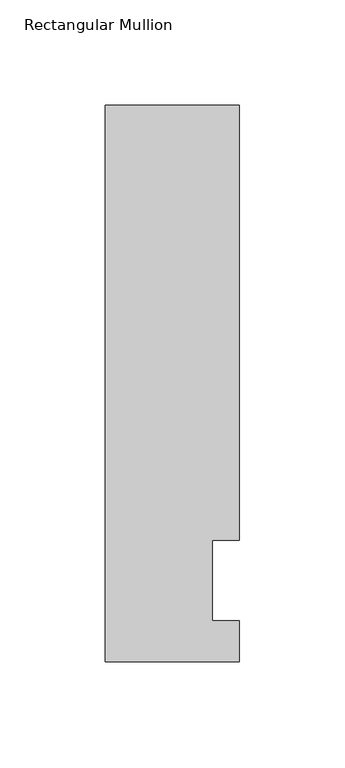
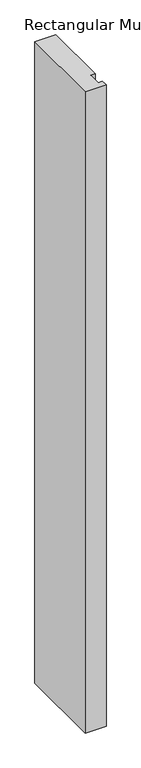
"""IFC4 building model written with IfcOpenShell, lengths in millimetres: member geometry, Rectangular Mullion."""

import ifcopenshell
import ifcopenshell.guid

model = None  # the IFC model being written
_history = None  # IfcOwnerHistory: only IFC2X3 demands one
_inside = {}  # id of a spatial element -> (the spatial element, [elements in it])
_under = {}  # id of a project, library or spatial element -> (it, [spatial elements below it])
_declared = {}  # id of a project -> (the project, [libraries it declares])
_typed = {}  # id of a type object -> (the type object, [elements of that type])
_made_of = {}  # id of a material, layer set ... -> (it, [elements and type objects made of it])


def new_model(schema):
    """Start an empty IFC model of exactly this schema.

    Asked for "IFC4X3", IfcOpenShell would pick the latest addendum, in which some entities
    have other attributes; the version numbers below select the first issue.
    IFC2X3 requires an IfcOwnerHistory on every rooted entity: one is made here for all.
    """
    global model, _history
    if schema == "IFC4X3":
        model = ifcopenshell.file(schema_version=(4, 3, 0, 0))
    else:
        model = ifcopenshell.file(schema=schema)
    _inside.clear()
    _under.clear()
    _declared.clear()
    _typed.clear()
    _made_of.clear()
    _history = None
    if model.schema == "IFC2X3":
        org = make("IfcOrganization", Name="unknown")
        user = make(
            "IfcPersonAndOrganization",
            ThePerson=make("IfcPerson", FamilyName="unknown"),
            TheOrganization=org,
        )
        app = make(
            "IfcApplication",
            ApplicationDeveloper=org,
            Version="unknown",
            ApplicationFullName="unknown",
            ApplicationIdentifier="unknown",
        )
        _history = make(
            "IfcOwnerHistory",
            OwningUser=user,
            OwningApplication=app,
            ChangeAction="ADDED",
            CreationDate=0,
        )
    return model


def make(cls, **values):
    """One entity of the class cls with the attributes given. An attribute that is None is left unset."""
    return model.create_entity(
        cls, **{name: value for name, value in values.items() if value is not None}
    )


def rooted(cls, **values):
    """An entity with a GlobalId (a new one), such as an element, a storey or a relation."""
    return make(cls, GlobalId=ifcopenshell.guid.new(), OwnerHistory=_history, **values)


def si_unit(unit_type, name, prefix=None):
    """IfcSIUnit, for example si_unit("LENGTHUNIT", "METRE", prefix="MILLI")."""
    return make("IfcSIUnit", UnitType=unit_type, Prefix=prefix, Name=name)


def assignment(units):
    """IfcUnitAssignment: the units of a project."""
    return None if units is None else make("IfcUnitAssignment", Units=units)


def point(xyz):
    """IfcCartesianPoint."""
    return None if xyz is None else make("IfcCartesianPoint", Coordinates=xyz)


def direction(xyz):
    """IfcDirection."""
    return None if xyz is None else make("IfcDirection", DirectionRatios=xyz)


def frame(location, z_axis=None, x_axis=None):
    """IfcAxis2Placement3D, a coordinate frame: its origin and axes. An axis left out is left unset."""
    return make(
        "IfcAxis2Placement3D",
        Location=point(location),
        Axis=direction(z_axis),
        RefDirection=direction(x_axis),
    )


def origin():
    """The frame at (0, 0, 0) with its axes left unset."""
    return frame((0.0, 0.0, 0.0))


def place(relative_to, where):
    """IfcLocalPlacement: puts the frame where relative to a parent placement (None: the world)."""
    return make(
        "IfcLocalPlacement", PlacementRelTo=relative_to, RelativePlacement=where
    )


def context(
    kind, dimensions, precision=None, world=None, true_north=None, identifier=None
):
    """IfcGeometricRepresentationContext, for example the 3D "Model" context."""
    return make(
        "IfcGeometricRepresentationContext",
        ContextIdentifier=identifier,
        ContextType=kind,
        CoordinateSpaceDimension=dimensions,
        Precision=precision,
        WorldCoordinateSystem=world,
        TrueNorth=true_north,
    )


def project(units=None, contexts=None):
    """IfcProject with its units and contexts."""
    return rooted(
        "IfcProject",
        Name="project",
        RepresentationContexts=contexts,
        UnitsInContext=assignment(units),
    )


def spatial(cls, under=None, at=None, **own):
    """A site, building, storey or space (cls), placed at a placement, below another one or the project."""
    s = rooted(cls, ObjectPlacement=at, **own)
    if under is not None:
        _under.setdefault(under.id(), (under, []))[1].append(s)
    return s


def polyline(points):
    """IfcPolyline through the points."""
    return make("IfcPolyline", Points=[point(p) for p in points])


def outline(outer, holes=None, kind="AREA"):
    """IfcArbitraryClosedProfileDef: a profile drawn as a closed curve; with holes, ...WithVoids."""
    if holes is None:
        return make("IfcArbitraryClosedProfileDef", ProfileType=kind, OuterCurve=outer)
    return make(
        "IfcArbitraryProfileDefWithVoids",
        ProfileType=kind,
        OuterCurve=outer,
        InnerCurves=holes,
    )


def extrude(swept, where, along, depth):
    """IfcExtrudedAreaSolid: the profile swept, set in the frame where, extruded along a direction by depth."""
    return make(
        "IfcExtrudedAreaSolid",
        SweptArea=swept,
        Position=where,
        ExtrudedDirection=direction(along),
        Depth=depth,
    )


def shape(context_of_items, identifier, shape_type, items):
    """IfcShapeRepresentation: the items that make up one representation, for example the "Body"."""
    return make(
        "IfcShapeRepresentation",
        ContextOfItems=context_of_items,
        RepresentationIdentifier=identifier,
        RepresentationType=shape_type,
        Items=items,
    )


def source(mapping_origin, context_of_items, identifier, shape_type, items):
    """IfcRepresentationMap: a shape defined once, which mapped items show again and again."""
    return make(
        "IfcRepresentationMap",
        MappingOrigin=mapping_origin,
        MappedRepresentation=shape(context_of_items, identifier, shape_type, items),
    )


def transform(
    local_origin,
    x_axis=None,
    y_axis=None,
    z_axis=None,
    scale=None,
    scale2=None,
    scale3=None,
    uniform=True,
):
    """IfcCartesianTransformationOperator3D, or its non-uniform kind. x_axis, y_axis, z_axis: its Axis1, 2, 3."""
    if uniform:
        return make(
            "IfcCartesianTransformationOperator3D",
            Axis1=direction(x_axis),
            Axis2=direction(y_axis),
            LocalOrigin=point(local_origin),
            Scale=scale,
            Axis3=direction(z_axis),
        )
    return make(
        "IfcCartesianTransformationOperator3DnonUniform",
        Axis1=direction(x_axis),
        Axis2=direction(y_axis),
        LocalOrigin=point(local_origin),
        Scale=scale,
        Axis3=direction(z_axis),
        Scale2=scale2,
        Scale3=scale3,
    )


def mapped(mapping_source, mapping_target):
    """IfcMappedItem: shows the shape of a source again, moved by a transform."""
    return make(
        "IfcMappedItem", MappingSource=mapping_source, MappingTarget=mapping_target
    )


def made_of(thing, what):
    """Note that an element or type object is made of a material, layer set ...; save() writes the relation."""
    if what is not None:
        _made_of.setdefault(what.id(), (what, []))[1].append(thing)
    return thing


def element(
    cls,
    number,
    at=None,
    inside=None,
    cuts=None,
    type_object=None,
    material=None,
    context=None,
    identifier="Body",
    shape_type=None,
    held_by="IfcProductDefinitionShape",
    body=None,
    shapes=None,
    **own,
):
    """One element of the class cls, such as IfcWall. Its Tag is "e" and its number.

    at: its placement. inside: the storey or other place that contains it. cuts: it is an
    opening in that element (IfcRelVoidsElement). A single representation is given by context,
    identifier, shape_type and body (its items); several are given by shapes. held_by: the class
    of the entity that holds the representations. save() writes the other relations.
    """
    e = rooted(cls, Tag="e%d" % number, ObjectPlacement=at, **own)
    if body is not None:
        shapes = [shape(context, identifier, shape_type, body)]
    if shapes is not None:
        e.Representation = make(held_by, Representations=shapes)
    if inside is not None:
        _inside.setdefault(inside.id(), (inside, []))[1].append(e)
    if cuts is not None:
        rooted(
            "IfcRelVoidsElement", RelatingBuildingElement=cuts, RelatedOpeningElement=e
        )
    if type_object is not None:
        _typed.setdefault(type_object.id(), (type_object, []))[1].append(e)
    return made_of(e, material)


def aggregate(whole, parts):
    """IfcRelAggregates: a whole, such as a stair, and the parts it consists of."""
    return rooted("IfcRelAggregates", RelatingObject=whole, RelatedObjects=parts)


def save(model, path):
    """Write the relations noted so far, then the file.

    IfcRelAggregates (storeys below a building ...), IfcRelContainedInSpatialStructure (elements
    in a storey), IfcRelDefinesByType, IfcRelAssociatesMaterial and IfcRelDeclares: one each for
    every whole, place, type object, material and project.
    """
    for whole, parts in _under.values():
        aggregate(whole, parts)
    for where, things in _inside.values():
        rooted(
            "IfcRelContainedInSpatialStructure",
            RelatedElements=things,
            RelatingStructure=where,
        )
    for kind, things in _typed.values():
        rooted("IfcRelDefinesByType", RelatedObjects=things, RelatingType=kind)
    for what, things in _made_of.values():
        rooted("IfcRelAssociatesMaterial", RelatedObjects=things, RelatingMaterial=what)
    for by, libraries in _declared.values():
        rooted("IfcRelDeclares", RelatingContext=by, RelatedDefinitions=libraries)
    model.write(path)


def rectangular_mullion_c93f7825(model_context):
    return source(origin(), model_context, "Body", "SweptSolid", [
        extrude(outline(polyline([(-31.75, 264.0210938), (31.75, 264.0210938), (31.75, 57.6460938), (19.05, 57.6460938), (19.05, 19.5460938), (31.75, 19.5460938), (31.75, 0.0134938), (-31.75, 0.0134938), (-31.75, 264.0210938)])), frame((0.0, 0.0, -2057.4), z_axis=(0.0, 0.0, 1.0), x_axis=(1.0, 0.0, 0.0)), (0.0, 0.0, 1.0), 2057.4),
    ])


if __name__ == "__main__":
    model = new_model("IFC4")
    model_context = context("Model", 3, world=origin())
    ifc_project = project(units=[si_unit("LENGTHUNIT", "METRE", prefix="MILLI")], contexts=[model_context])
    site = spatial("IfcSite", under=ifc_project)
    building = spatial("IfcBuilding", under=site)
    placement = place(None, origin())
    rectangular_mullion_shape = rectangular_mullion_c93f7825(model_context)
    element("IfcMember", 1, ObjectType="Rectangular Mullion", at=placement, inside=building, context=model_context, shape_type="MappedRepresentation", body=[
        mapped(rectangular_mullion_shape, transform((0.0, 0.0, 0.0), x_axis=(1.0, 0.0, 0.0), y_axis=(0.0, 1.0, 0.0), z_axis=(0.0, 0.0, 1.0))),
    ])
    save(model, "model.ifc")
